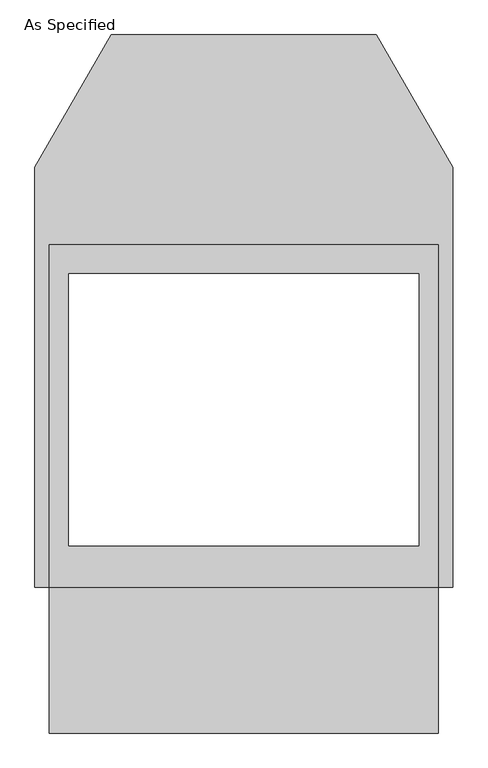
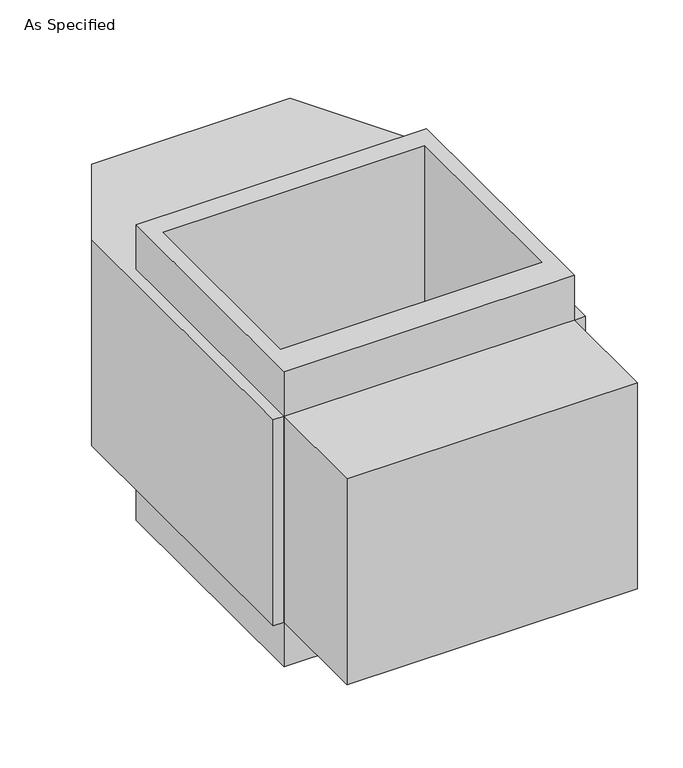
"""IFC4 building model written with IfcOpenShell, lengths in millimetres: proxy geometry, As Specified."""

from ifc_helpers import new_model, si_unit, frame, origin, place, context, project, spatial, polyline, outline, extrude, source, transform, mapped, element, save


def as_specified_d0a9b8ac(model_context):
    return source(origin(), model_context, "Body", "SweptSolid", [
        extrude(outline(polyline([(508.0, 363.8351562), (508.0, -531.5148438), (-508.0, -531.5148438), (-508.0, 363.8351562), (508.0, 363.8351562)]), holes=[polyline([(-457.2, 287.6748437), (-457.2, -423.5251563), (457.2, -423.5251563), (457.2, 287.6748437), (-457.2, 287.6748437)])]), frame((0.0, 0.0, -952.5), z_axis=(0.0, 0.0, 1.0), x_axis=(1.0, 0.0, 0.0)), (0.0, 0.0, 1.0), 1092.2),
        extrude(outline(polyline([(508.0, -912.5148438), (-508.0, -912.5148438), (-508.0, -531.5148438), (-546.1, -531.5148438), (-546.1, 567.0748437), (-346.660123, 912.5148437), (346.660123, 912.5148437), (546.1, 567.0748437), (546.1, -531.5148438), (508.0, -531.5148438), (508.0, -912.5148438)]), holes=[polyline([(457.2, -423.5251563), (457.2, 287.6748437), (-457.2, 287.6748437), (-457.2, -423.5251563), (457.2, -423.5251563)])]), frame((0.0, 0.0, -787.4), z_axis=(0.0, 0.0, 1.0), x_axis=(1.0, 0.0, 0.0)), (0.0, 0.0, 1.0), 762.0),
    ])


if __name__ == "__main__":
    model = new_model("IFC4")
    model_context = context("Model", 3, world=origin())
    ifc_project = project(units=[si_unit("LENGTHUNIT", "METRE", prefix="MILLI")], contexts=[model_context])
    site = spatial("IfcSite", under=ifc_project)
    building = spatial("IfcBuilding", under=site)
    placement = place(None, origin())
    as_specified_shape = as_specified_d0a9b8ac(model_context)
    element("IfcBuildingElementProxy", 1, Name="As Specified", ObjectType="As Specified", at=placement, inside=building, context=model_context, shape_type="MappedRepresentation", body=[
        mapped(as_specified_shape, transform((0.0, 0.0, 0.0), x_axis=(1.0, 0.0, 0.0), y_axis=(0.0, 1.0, 0.0), z_axis=(0.0, 0.0, 1.0))),
    ])
    save(model, "model.ifc")
